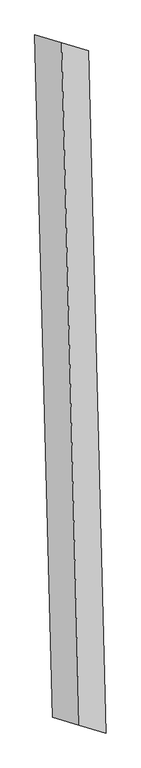
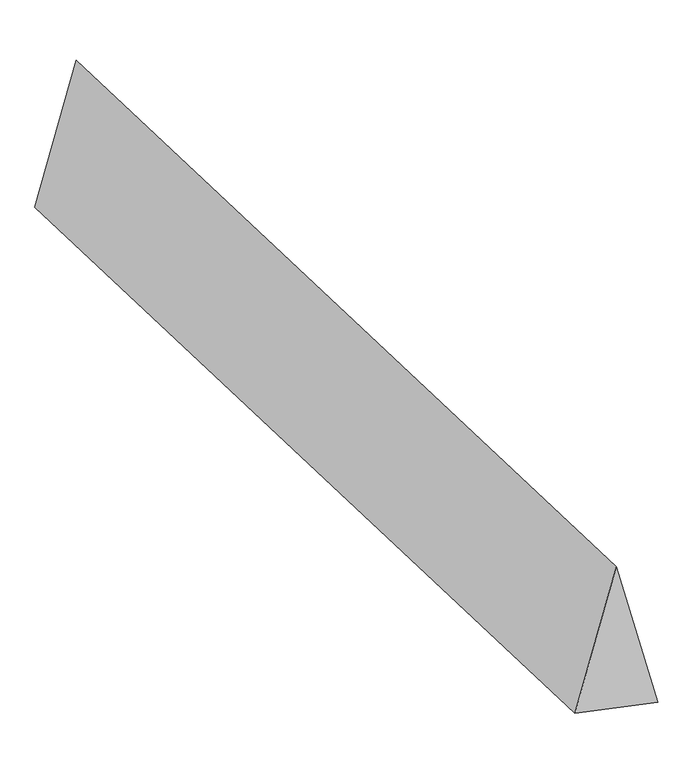
"""IFC4 building model written with IfcOpenShell, lengths in millimetres: proxy geometry."""

from ifc_helpers import new_model, si_unit, origin, place, context, project, spatial, faceted_brep, source, transform, mapped, element, save


def generic_models_37ba9830(model_context):
    return source(origin(), model_context, "Body", "Brep", [
        faceted_brep([(54.4921211, -2101.4492271, 700.0), (220.1491811, -2150.3618966, 0.0), (111.1649388, 2052.5365576, 0.0), (-54.4921211, 2101.4492271, 700.0), (-111.1649388, -2052.5365576, 0.0), (-220.1491811, 2150.3618966, 0.0)], [[[0, 1, 2, 3]], [[1, 4, 5, 2]], [[4, 0, 3, 5]], [[3, 2, 5]], [[0, 4, 1]]]),
    ])


if __name__ == "__main__":
    model = new_model("IFC4")
    model_context = context("Model", 3, world=origin())
    ifc_project = project(units=[si_unit("LENGTHUNIT", "METRE", prefix="MILLI")], contexts=[model_context])
    site = spatial("IfcSite", under=ifc_project)
    building = spatial("IfcBuilding", under=site)
    placement = place(None, origin())
    generic_models_shape = generic_models_37ba9830(model_context)
    element("IfcBuildingElementProxy", 1, Name="Generic Models", at=placement, inside=building, context=model_context, shape_type="MappedRepresentation", body=[
        mapped(generic_models_shape, transform((0.0, 0.0, 0.0), x_axis=(1.0, 0.0, 0.0), y_axis=(0.0, 1.0, 0.0), z_axis=(0.0, 0.0, 1.0))),
    ])
    save(model, "model.ifc")
